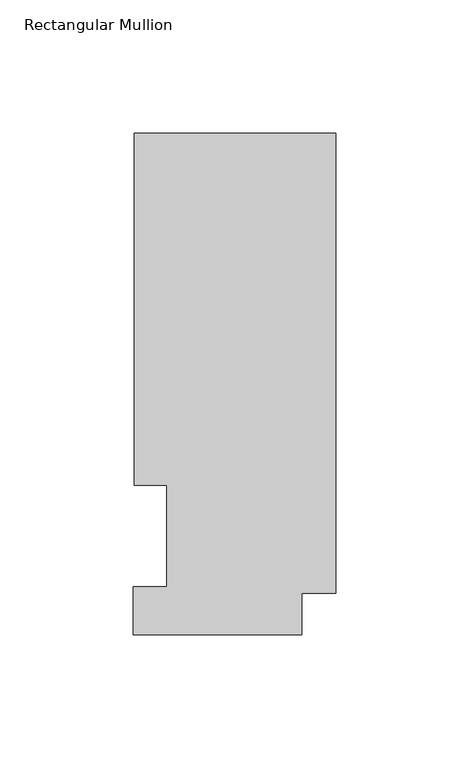
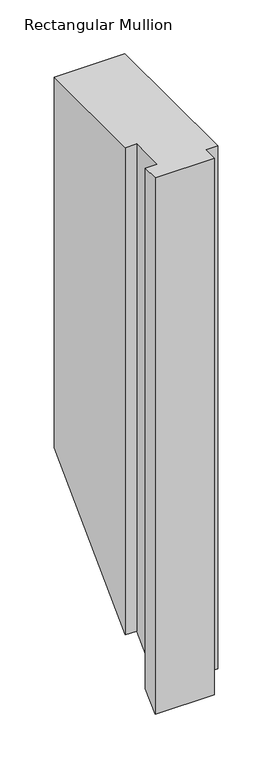
"""IFC4 building model written with IfcOpenShell, lengths in millimetres: member geometry, Rectangular Mullion."""

from ifc_helpers import new_model, si_unit, origin, place, context, project, spatial, faceted_brep, source, transform, mapped, element, save


def rectangular_mullion_d550b9ce(model_context):
    return source(origin(), model_context, "Body", "Brep", [
        faceted_brep([(-12.7, 0.5199063, 0.0), (-12.7, 16.1663063, 0.0), (0.0, 16.1663063, 0.0), (0.0, 189.0895063, 0.0), (-75.7936, 189.0895063, 0.0), (-75.7936, 56.6539062, 0.0), (-63.5, 56.6539062, 0.0), (-63.5, 18.5539062, 0.0), (-76.2, 18.5539063, 0.0), (-76.2, 0.5199063, 0.0), (-12.7, 0.5199063, -609.5761875), (-12.7, 16.1663063, -593.9297875), (0.0, 16.1663063, -593.9297875), (0.0, 189.0895063, -421.0065875), (-75.7936, 189.0895063, -421.0065875), (-75.7936, 56.6539063, -553.4421875), (-63.5, 56.6539062, -553.4421875), (-63.5, 18.5539062, -591.5421875), (-76.2, 18.5539063, -591.5421875), (-76.2, 0.5199063, -609.5761875)], [[[0, 1, 2, 3, 4, 5, 6, 7, 8, 9]], [[1, 0, 10, 11]], [[2, 1, 11, 12]], [[3, 2, 12, 13]], [[4, 3, 13, 14]], [[5, 4, 14, 15]], [[6, 5, 15, 16]], [[7, 6, 16, 17]], [[8, 7, 17, 18]], [[9, 8, 18, 19]], [[0, 9, 19, 10]], [[10, 19, 18, 17, 16, 15, 14, 13, 12, 11]]]),
    ])


if __name__ == "__main__":
    model = new_model("IFC4")
    model_context = context("Model", 3, world=origin())
    ifc_project = project(units=[si_unit("LENGTHUNIT", "METRE", prefix="MILLI")], contexts=[model_context])
    site = spatial("IfcSite", under=ifc_project)
    building = spatial("IfcBuilding", under=site)
    placement = place(None, origin())
    rectangular_mullion_shape = rectangular_mullion_d550b9ce(model_context)
    element("IfcMember", 1, ObjectType="Rectangular Mullion", at=placement, inside=building, context=model_context, shape_type="MappedRepresentation", body=[
        mapped(rectangular_mullion_shape, transform((0.0, 0.0, 0.0), x_axis=(1.0, 0.0, 0.0), y_axis=(0.0, 1.0, 0.0), z_axis=(0.0, 0.0, 1.0))),
    ])
    save(model, "model.ifc")
